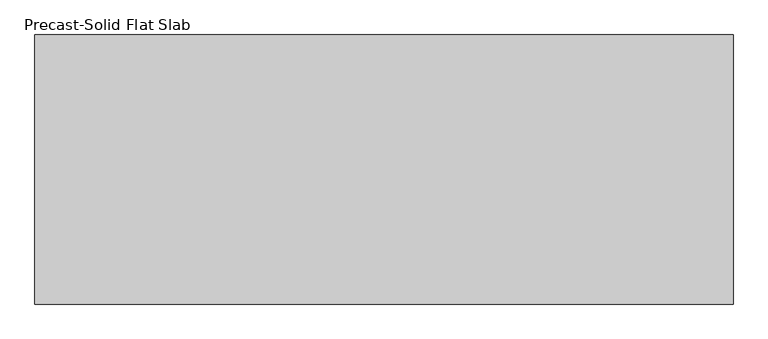
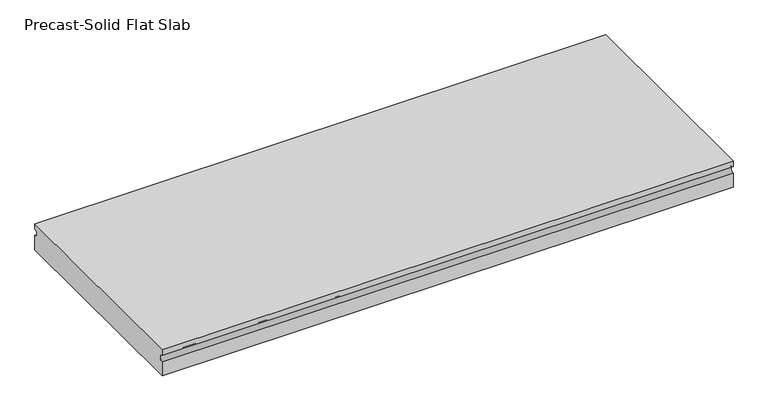
"""IFC4 building model written with IfcOpenShell, lengths in millimetres: beam geometry, Precast-Solid Flat Slab."""

from ifc_helpers import new_model, si_unit, point, frame, frame_2d, origin, place, context, project, spatial, polyline, circle_curve, trimmed, segment, composite_curve, outline, extrude, source, transform, mapped, element, save


def precast_solid_flat_slab_781076fd(model_context):
    return source(origin(), model_context, "Body", "SweptSolid", [
        extrude(outline(composite_curve([segment(polyline([(-304.8, 38.1), (304.8, 38.1), (304.8, 22.225)]), True, "CONTINUOUS"), segment(trimmed(circle_curve(frame_2d((304.8, 12.7)), 9.525), [point((304.8, 22.225))], [point((304.8, 3.175))], True, "CARTESIAN"), True, "CONTINUOUS"), segment(polyline([(304.8, 3.175), (304.8, -38.1), (-304.8, -38.1), (-304.8, 3.175)]), True, "CONTINUOUS"), segment(trimmed(circle_curve(frame_2d((-304.8, 12.7)), 9.525), [point((-304.8, 3.175))], [point((-304.8, 22.225))], True, "CARTESIAN"), True, "CONTINUOUS"), segment(polyline([(-304.8, 22.225), (-304.8, 38.1)]), True, "CONTINUOUS")], self_intersect=False)), frame((-838.2, 0.0, 0.0), z_axis=(1.0, 0.0, 0.0), x_axis=(0.0, 1.0, 0.0)), (0.0, 0.0, 1.0), 1581.2988281),
    ])


if __name__ == "__main__":
    model = new_model("IFC4")
    model_context = context("Model", 3, world=origin())
    ifc_project = project(units=[si_unit("LENGTHUNIT", "METRE", prefix="MILLI")], contexts=[model_context])
    site = spatial("IfcSite", under=ifc_project)
    building = spatial("IfcBuilding", under=site)
    placement = place(None, origin())
    precast_solid_flat_slab_shape = precast_solid_flat_slab_781076fd(model_context)
    element("IfcBeam", 1, ObjectType="Precast-Solid Flat Slab", at=placement, inside=building, context=model_context, shape_type="MappedRepresentation", body=[
        mapped(precast_solid_flat_slab_shape, transform((0.0, 0.0, 0.0), x_axis=(1.0, 0.0, 0.0), y_axis=(0.0, 1.0, 0.0), z_axis=(0.0, 0.0, 1.0))),
    ])
    save(model, "model.ifc")
